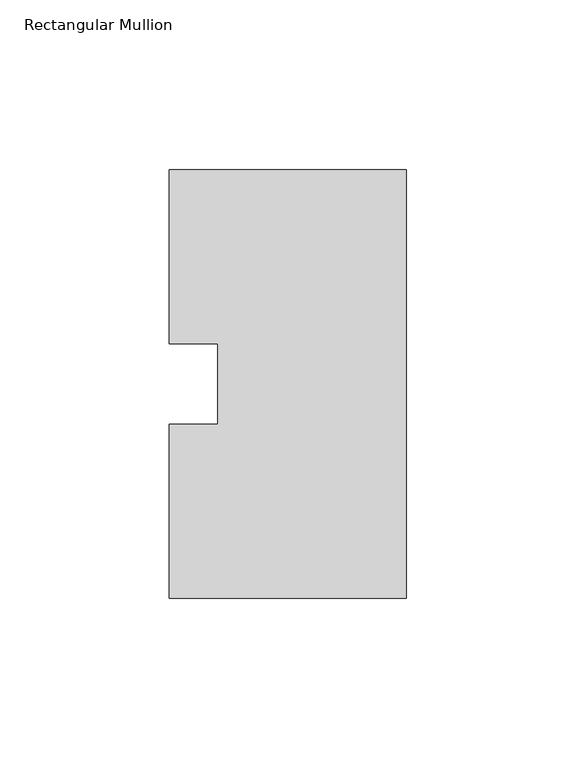
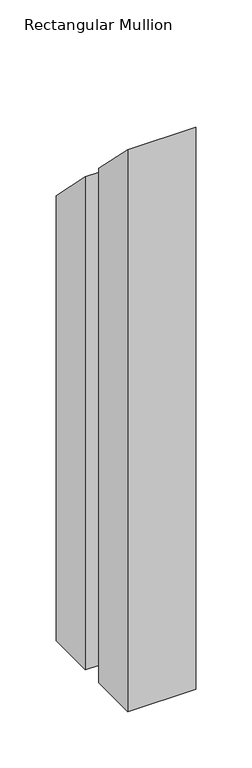
"""IFC4 building model written with IfcOpenShell, lengths in millimetres: member geometry, Rectangular Mullion."""

from ifc_helpers import new_model, si_unit, origin, place, context, project, spatial, faceted_brep, source, transform, mapped, element, save


def rectangular_mullion_81cb9f43(model_context):
    return source(origin(), model_context, "Body", "Brep", [
        faceted_brep([(0.0, 126.75235, -609.6), (0.0, 0.26035, -609.6), (-69.85, 0.26035, -609.6), (-69.85, 51.60645, -609.6), (-55.5625, 51.60645, -609.6), (-55.5625, 75.40625, -609.6), (-69.85, 75.40625, -609.6), (-69.85, 126.75235, -609.6), (-69.85, 126.75235, -126.75235), (0.0, 126.75235, -126.75235), (-69.85, 75.40625, -75.40625), (-55.5625, 75.40625, -75.40625), (-55.5625, 51.60645, -51.60645), (-69.85, 51.60645, -51.60645), (-69.85, 0.26035, -0.26035), (0.0, 0.26035, -0.26035)], [[[0, 1, 2, 3, 4, 5, 6, 7]], [[8, 9, 0, 7]], [[10, 8, 7, 6]], [[11, 10, 6, 5]], [[12, 11, 5, 4]], [[13, 12, 4, 3]], [[14, 13, 3, 2]], [[15, 14, 2, 1]], [[9, 15, 1, 0]], [[9, 8, 10, 11, 12, 13, 14, 15]]]),
    ])


if __name__ == "__main__":
    model = new_model("IFC4")
    model_context = context("Model", 3, world=origin())
    ifc_project = project(units=[si_unit("LENGTHUNIT", "METRE", prefix="MILLI")], contexts=[model_context])
    site = spatial("IfcSite", under=ifc_project)
    building = spatial("IfcBuilding", under=site)
    placement = place(None, origin())
    rectangular_mullion_shape = rectangular_mullion_81cb9f43(model_context)
    element("IfcMember", 1, ObjectType="Rectangular Mullion", at=placement, inside=building, context=model_context, shape_type="MappedRepresentation", body=[
        mapped(rectangular_mullion_shape, transform((0.0, 0.0, 0.0), x_axis=(1.0, 0.0, 0.0), y_axis=(0.0, 1.0, 0.0), z_axis=(0.0, 0.0, 1.0))),
    ])
    save(model, "model.ifc")
